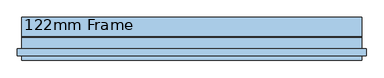
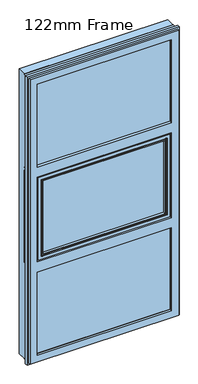
"""IFC4 building model written with IfcOpenShell, lengths in millimetres: window geometry, 122mm Frame."""

from ifc_helpers import new_model, si_unit, frame, origin, place, context, project, spatial, polyline, circle_curve, ellipse_curve, outline, extrude, source, transform, mapped, element, save
from ifc_brep_helpers import plane_surface, cylinder_surface, revolved_surface, advanced_brep


def window_122mm_frame_63e55e6c(model_context):
    return source(origin(), model_context, "Body", "SolidModel", [
        extrude(outline(polyline([(-452.6, -141.0), (-452.6, -93.0), (452.6, -93.0), (452.6, -141.0), (-452.6, -141.0)])), frame((0.0, 0.0, 847.4), z_axis=(0.0, 0.0, 1.0), x_axis=(1.0, 0.0, 0.0)), (0.0, 0.0, 1.0), 599.2666667),
        advanced_brep(
        [(-437.8697056, -91.0, 1432.9363723), (-437.8697056, -91.0, 862.1302944), (-440.9078547, -66.2562613, 859.0921453), (-440.9078547, -66.2562613, 1435.9745214), (-442.892947, -64.5, 857.107053), (-442.892947, -64.5, 1437.9596137), (437.8697056, -91.0, 862.1302944), (440.9078547, -66.2562613, 859.0921453), (-461.5, -91.0, 1456.5666667), (-461.5, -91.0, 838.5), (461.5, -91.0, 838.5), (461.5, -91.0, 1456.5666667), (437.8697056, -91.0, 1432.9363723), (-461.5, -82.0, 1456.5666667), (-461.5, -82.0, 838.5), (461.5, -82.0, 838.5), (-464.0, -82.0, 1459.0666667), (-464.0, -82.0, 836.0), (464.0, -82.0, 836.0), (464.0, -82.0, 1459.0666667), (461.5, -82.0, 1456.5666667), (-464.0, -64.5, 1459.0666667), (-464.0, -64.5, 836.0), (464.0, -64.5, 836.0), (464.0, -64.5, 1459.0666667), (442.892947, -64.5, 857.107053), (442.892947, -64.5, 1437.9596137), (440.9078547, -66.2562613, 1435.9745214)],
        [
            (0, 1),
            (1, 2),
            (2, 3),
            (3, 0),
            (2, 4, ellipse_curve(frame((-442.892947, -66.5, 857.107053), z_axis=(-0.7071067811865475, 0.0, 0.7071067811865475), x_axis=(0.7071067811865474, 0.0, 0.7071067811865476)), 2.8284271, 2.0)),
            (4, 5),
            (5, 3, ellipse_curve(frame((-442.892947, -66.5, 1437.9596137), z_axis=(-0.7071067811865475, 0.0, -0.7071067811865475), x_axis=(-0.7071067811865474, 0.0, 0.7071067811865476)), 2.8284271, 2.0)),
            (1, 6),
            (6, 7),
            (7, 2),
            (8, 9),
            (9, 10),
            (10, 11),
            (11, 8),
            (0, 12),
            (12, 6),
            (13, 14),
            (14, 9),
            (8, 13),
            (14, 15),
            (15, 10),
            (16, 17),
            (17, 18),
            (18, 19),
            (19, 16),
            (13, 20),
            (20, 15),
            (21, 22),
            (22, 17),
            (16, 21),
            (22, 23),
            (23, 18),
            (21, 24),
            (24, 23),
            (4, 25),
            (25, 26),
            (26, 5),
            (7, 25, ellipse_curve(frame((442.892947, -66.5, 857.107053), z_axis=(-0.7071067811865475, 0.0, -0.7071067811865475), x_axis=(-0.7071067811865476, 0.0, 0.7071067811865474)), 2.8284271, 2.0)),
            (12, 27),
            (27, 7),
            (20, 11),
            (24, 19),
            (27, 26, ellipse_curve(frame((442.892947, -66.5, 1437.9596137), z_axis=(0.7071067811865475, 0.0, -0.7071067811865475), x_axis=(-0.7071067811865474, 0.0, -0.7071067811865476)), 2.8284271, 2.0)),
            (3, 27),
        ],
        [
            plane_surface(frame((-440.9078547, -66.2562613, 1435.9745214), z_axis=(0.9925461516413219, 0.12186934340514886, 0.0), x_axis=(0.0, 0.0, -1.0))),
            cylinder_surface(frame((-442.892947, -66.5, 1432.6666667), z_axis=(0.0, 0.0, 1.0), x_axis=(0.0, -1.0, 0.0)), 2.0),
            plane_surface(frame((-440.9078547, -66.2562613, 859.0921453), z_axis=(0.0, 0.12186934340514886, 0.9925461516413219), x_axis=(1.0, 0.0, 0.0))),
            plane_surface(frame((437.8697056, -91.0, 1432.9363723), z_axis=(0.0, -1.0, 0.0), x_axis=(-1.0, 0.0, 0.0))),
            plane_surface(frame((-461.5, -91.0, 1456.5666667), z_axis=(-1.0, 0.0, 0.0), x_axis=(0.0, 0.0, -1.0))),
            plane_surface(frame((-461.5, -91.0, 838.5), z_axis=(0.0, 0.0, -1.0), x_axis=(1.0, 0.0, 0.0))),
            plane_surface(frame((461.5, -82.0, 1456.5666667), z_axis=(0.0, -1.0, 0.0), x_axis=(-1.0, 0.0, 0.0))),
            plane_surface(frame((-464.0, -82.0, 1459.0666667), z_axis=(-1.0, 0.0, 0.0), x_axis=(0.0, 0.0, -1.0))),
            plane_surface(frame((-464.0, -82.0, 836.0), z_axis=(0.0, 0.0, -1.0), x_axis=(1.0, 0.0, 0.0))),
            plane_surface(frame((464.0, -64.5, 1459.0666667), z_axis=(0.0, 1.0, 0.0), x_axis=(-1.0, 0.0, 0.0))),
            cylinder_surface(frame((-437.6, -66.5, 857.107053), z_axis=(-1.0, 0.0, 0.0), x_axis=(0.0, -1.0, 0.0)), 2.0),
            plane_surface(frame((440.9078547, -66.2562613, 859.0921453), z_axis=(-0.9925461516413219, 0.12186934340514886, 0.0), x_axis=(0.0, 0.0, 1.0))),
            plane_surface(frame((461.5, -91.0, 838.5), z_axis=(1.0, 0.0, 0.0), x_axis=(0.0, 0.0, 1.0))),
            plane_surface(frame((464.0, -82.0, 836.0), z_axis=(1.0, 0.0, 0.0), x_axis=(0.0, 0.0, 1.0))),
            cylinder_surface(frame((442.892947, -66.5, 862.4), z_axis=(0.0, 0.0, -1.0), x_axis=(0.0, -1.0, 0.0)), 2.0),
            plane_surface(frame((440.9078547, -66.2562613, 1435.9745214), z_axis=(0.0, 0.12186934340514886, -0.9925461516413219), x_axis=(-1.0, 0.0, 0.0))),
            plane_surface(frame((461.5, -91.0, 1456.5666667), z_axis=(0.0, 0.0, 1.0), x_axis=(-1.0, 0.0, 0.0))),
            plane_surface(frame((464.0, -82.0, 1459.0666667), z_axis=(0.0, 0.0, 1.0), x_axis=(-1.0, 0.0, 0.0))),
            cylinder_surface(frame((437.6, -66.5, 1437.9596137), z_axis=(1.0, 0.0, 0.0), x_axis=(0.0, -1.0, 0.0)), 2.0),
        ],
        [
            (0, [[1, 2, 3, 4]]),
            (1, [[-3, 5, 6, 7]]),
            (2, [[8, 9, 10, -2]]),
            (3, [[11, 12, 13, 14], [-1, 15, 16, -8]]),
            (4, [[17, 18, -11, 19]]),
            (5, [[20, 21, -12, -18]]),
            (6, [[22, 23, 24, 25], [-17, 26, 27, -20]]),
            (7, [[28, 29, -22, 30]]),
            (8, [[31, 32, -23, -29]]),
            (9, [[-28, 33, 34, -31], [-6, 35, 36, 37]]),
            (10, [[-10, 38, -35, -5]]),
            (11, [[-16, 39, 40, -9]]),
            (12, [[-27, 41, -13, -21]]),
            (13, [[-34, 42, -24, -32]]),
            (14, [[-40, 43, -36, -38]]),
            (15, [[-15, -4, 44, -39]]),
            (16, [[-26, -19, -14, -41]]),
            (17, [[-33, -30, -25, -42]]),
            (18, [[-44, -7, -37, -43]]),
        ],
    ),
        advanced_brep(
        [(-488.0, -90.5, 2788.0), (-488.0, -90.5, 2141.3333333), (-488.0, -86.5, 2141.3333333), (-488.0, -86.5, 2788.0), (-488.0, -32.0, 2788.0), (-488.0, -32.0, 812.0), (-488.0, -86.5, 812.0), (-488.0, -86.5, 1458.6666667), (-488.0, -90.5, 1458.6666667), (-488.0, -90.5, 812.0), (-488.0, -154.0, 812.0), (-488.0, -154.0, 2788.0), (-488.0, -90.5, 1482.6666667), (-488.0, -86.5, 1482.6666667), (-488.0, -86.5, 2117.3333333), (-488.0, -90.5, 2117.3333333), (488.0, -154.0, 2788.0), (488.0, -154.0, 812.0), (-441.2576108, -154.0, 858.7423892), (-441.2576108, -154.0, 1435.9242774), (441.2576108, -154.0, 1435.9242774), (441.2576108, -154.0, 858.7423892), (441.2576108, -154.0, 2741.2576108), (441.2576108, -154.0, 2164.0757226), (-441.2576108, -154.0, 2164.0757226), (-441.2576108, -154.0, 2741.2576108), (441.2576108, -154.0, 1505.4090559), (-441.2576108, -154.0, 1505.4090559), (-441.2576108, -154.0, 2094.5909441), (441.2576108, -154.0, 2094.5909441), (488.0, -90.5, 812.0), (-481.0, -90.5, 1458.6666667), (-481.0, -90.5, 819.0), (481.0, -90.5, 819.0), (481.0, -90.5, 1458.6666667), (488.0, -90.5, 1458.6666667), (488.0, -90.5, 2788.0), (488.0, -90.5, 2141.3333333), (481.0, -90.5, 2141.3333333), (481.0, -90.5, 2781.0), (-481.0, -90.5, 2781.0), (-481.0, -90.5, 2141.3333333), (-481.0, -90.5, 2117.3333333), (-481.0, -90.5, 1482.6666667), (481.0, -90.5, 1482.6666667), (481.0, -90.5, 2117.3333333), (488.0, -90.5, 2117.3333333), (488.0, -90.5, 1482.6666667), (-481.0, -86.5, 819.0), (-481.0, -86.5, 1458.6666667), (488.0, -86.5, 812.0), (488.0, -86.5, 1458.6666667), (481.0, -86.5, 1458.6666667), (481.0, -86.5, 819.0), (481.0, -86.5, 2781.0), (481.0, -86.5, 2141.3333333), (488.0, -86.5, 2141.3333333), (488.0, -86.5, 2788.0), (-481.0, -86.5, 2141.3333333), (-481.0, -86.5, 2781.0), (488.0, -86.5, 1482.6666667), (488.0, -86.5, 2117.3333333), (481.0, -86.5, 2117.3333333), (481.0, -86.5, 1482.6666667), (-481.0, -86.5, 1482.6666667), (-481.0, -86.5, 2117.3333333), (488.0, -32.0, 812.0), (488.0, -32.0, 2788.0), (467.0, -32.0, 833.0), (467.0, -32.0, 1458.6666667), (-467.0, -32.0, 1458.6666667), (-467.0, -32.0, 833.0), (-467.0, -32.0, 2767.0), (-467.0, -32.0, 2141.3333333), (467.0, -32.0, 2141.3333333), (467.0, -32.0, 2767.0), (-467.0, -32.0, 1482.6666667), (467.0, -32.0, 1482.6666667), (467.0, -32.0, 2117.3333333), (-467.0, -32.0, 2117.3333333), (-438.0131086, -143.3877115, 861.9868914), (438.0131086, -143.3877115, 861.9868914), (438.0131086, -142.0, 861.9868914), (-438.0131086, -142.0, 861.9868914), (-462.2226568, -142.0, 837.7773432), (-462.2226568, -142.0, 1456.7286793), (462.2226568, -142.0, 1456.7286793), (462.2226568, -142.0, 837.7773432), (438.0131086, -142.0, 1432.2555093), (-438.0131086, -142.0, 1432.2555093), (462.2226568, -142.0, 2762.2226568), (462.2226568, -142.0, 2143.2713207), (-462.2226568, -142.0, 2143.2713207), (-462.2226568, -142.0, 2762.2226568), (-438.0131086, -142.0, 2738.0131086), (-438.0131086, -142.0, 2167.7444907), (438.0131086, -142.0, 2167.7444907), (438.0131086, -142.0, 2738.0131086), (-462.2226568, -142.0, 1484.6046541), (-462.2226568, -142.0, 2115.3953459), (462.2226568, -142.0, 2115.3953459), (462.2226568, -142.0, 1484.6046541), (438.0131086, -142.0, 1509.0778241), (438.0131086, -142.0, 2090.9221759), (-438.0131086, -142.0, 2090.9221759), (-438.0131086, -142.0, 1509.0778241), (-438.0131086, -143.3877115, 1432.6797752), (-438.0131086, -143.3877115, 2738.0131086), (-438.0131086, -143.3877115, 2167.3202248), (-438.0131086, -143.3877115, 2091.3464419), (-438.0131086, -143.3877115, 1508.6535581), (438.0131086, -143.3877115, 1432.6797752), (438.0131086, -143.3877115, 2167.3202248), (438.0131086, -143.3877115, 2738.0131086), (438.0131086, -143.3877115, 1508.6535581), (438.0131086, -143.3877115, 2091.3464419), (455.7805994, -91.0, 844.2194006), (-455.7805994, -91.0, 844.2194006), (455.7805994, -91.0, 1450.4666667), (455.7805994, -91.0, 2755.7805994), (455.7805994, -91.0, 2149.5333333), (455.7805994, -91.0, 2109.1333333), (455.7805994, -91.0, 1490.8666667), (-455.7805994, -91.0, 1450.4666667), (-455.7805994, -91.0, 1490.8666667), (-455.7805994, -91.0, 2109.1333333), (-455.7805994, -91.0, 2149.5333333), (-455.7805994, -91.0, 2755.7805994), (-462.0, -91.0, 838.0), (-462.0, -91.0, 1458.6666667), (462.0, -91.0, 1458.6666667), (462.0, -91.0, 838.0), (462.0, -91.0, 2762.0), (462.0, -91.0, 2141.3333333), (-462.0, -91.0, 2141.3333333), (-462.0, -91.0, 2762.0), (-462.0, -91.0, 1482.6666667), (-462.0, -91.0, 2117.3333333), (462.0, -91.0, 2117.3333333), (462.0, -91.0, 1482.6666667), (462.0, -83.0, 838.0), (-462.0, -83.0, 838.0), (462.0, -83.0, 1458.6666667), (462.0, -83.0, 2762.0), (462.0, -83.0, 2141.3333333), (462.0, -83.0, 2117.3333333), (462.0, -83.0, 1482.6666667), (-462.0, -83.0, 1458.6666667), (-462.0, -83.0, 1482.6666667), (-462.0, -83.0, 2117.3333333), (-462.0, -83.0, 2141.3333333), (-462.0, -83.0, 2762.0), (464.0, -35.0, 836.0), (-464.0, -35.0, 836.0), (-464.0, -35.0, 1458.6666667), (-464.0, -35.0, 2764.0), (-464.0, -35.0, 2141.3333333), (-464.0, -35.0, 2117.3333333), (-464.0, -35.0, 1482.6666667), (464.0, -35.0, 1458.6666667), (464.0, -35.0, 2141.3333333), (464.0, -35.0, 2764.0), (464.0, -35.0, 1482.6666667), (464.0, -35.0, 2117.3333333), (-464.0, -83.0, 1458.6666667), (-464.0, -83.0, 836.0), (-464.0, -83.0, 2764.0), (-464.0, -83.0, 2141.3333333), (-464.0, -83.0, 2117.3333333), (-464.0, -83.0, 1482.6666667), (464.0, -83.0, 836.0), (464.0, -83.0, 1458.6666667), (464.0, -83.0, 2764.0), (464.0, -83.0, 2141.3333333), (464.0, -83.0, 2117.3333333), (464.0, -83.0, 1482.6666667)],
        [
            (0, 1),
            (1, 2),
            (2, 3),
            (3, 4),
            (4, 5),
            (5, 6),
            (6, 7),
            (7, 8),
            (8, 9),
            (9, 10),
            (10, 11),
            (11, 0),
            (12, 13),
            (13, 14),
            (14, 15),
            (15, 12),
            (16, 11),
            (10, 17),
            (17, 16),
            (18, 19),
            (19, 20),
            (20, 21),
            (21, 18),
            (22, 23),
            (23, 24),
            (24, 25),
            (25, 22),
            (26, 27),
            (27, 28),
            (28, 29),
            (29, 26),
            (9, 30),
            (30, 17),
            (8, 31),
            (31, 32),
            (32, 33),
            (33, 34),
            (34, 35),
            (35, 30),
            (36, 37),
            (37, 38),
            (38, 39),
            (39, 40),
            (40, 41),
            (41, 1),
            (0, 36),
            (15, 42),
            (42, 43),
            (43, 12),
            (44, 45),
            (45, 46),
            (46, 47),
            (47, 44),
            (48, 49),
            (49, 7),
            (6, 50),
            (50, 51),
            (51, 52),
            (52, 53),
            (53, 48),
            (54, 55),
            (55, 56),
            (56, 57),
            (57, 3),
            (2, 58),
            (58, 59),
            (59, 54),
            (60, 61),
            (61, 62),
            (62, 63),
            (63, 60),
            (64, 65),
            (65, 14),
            (13, 64),
            (66, 50),
            (5, 66),
            (4, 67),
            (67, 66),
            (68, 69),
            (69, 70),
            (70, 71),
            (71, 68),
            (72, 73),
            (73, 74),
            (74, 75),
            (75, 72),
            (76, 77),
            (77, 78),
            (78, 79),
            (79, 76),
            (35, 51),
            (67, 57),
            (56, 37),
            (36, 16),
            (60, 47),
            (46, 61),
            (80, 81),
            (81, 82),
            (82, 83),
            (83, 80),
            (84, 85),
            (85, 86),
            (86, 87),
            (87, 84),
            (82, 88),
            (88, 89),
            (89, 83),
            (90, 91),
            (91, 92),
            (92, 93),
            (93, 90),
            (94, 95),
            (95, 96),
            (96, 97),
            (97, 94),
            (98, 99),
            (99, 100),
            (100, 101),
            (101, 98),
            (102, 103),
            (103, 104),
            (104, 105),
            (105, 102),
            (89, 106),
            (106, 80),
            (107, 108),
            (108, 95),
            (94, 107),
            (104, 109),
            (109, 110),
            (110, 105),
            (81, 111),
            (111, 88),
            (96, 112),
            (112, 113),
            (113, 97),
            (114, 115),
            (115, 103),
            (102, 114),
            (87, 116),
            (116, 117),
            (117, 84),
            (86, 118),
            (118, 116),
            (119, 120),
            (120, 91),
            (90, 119),
            (100, 121),
            (121, 122),
            (122, 101),
            (117, 123),
            (123, 85),
            (124, 125),
            (125, 99),
            (98, 124),
            (92, 126),
            (126, 127),
            (127, 93),
            (128, 129),
            (129, 130),
            (130, 131),
            (131, 128),
            (118, 123),
            (132, 133),
            (133, 134),
            (134, 135),
            (135, 132),
            (119, 127),
            (126, 120),
            (136, 137),
            (137, 138),
            (138, 139),
            (139, 136),
            (121, 125),
            (124, 122),
            (131, 140),
            (140, 141),
            (141, 128),
            (130, 142),
            (142, 140),
            (143, 144),
            (144, 133),
            (132, 143),
            (138, 145),
            (145, 146),
            (146, 139),
            (141, 147),
            (147, 129),
            (148, 149),
            (149, 137),
            (136, 148),
            (134, 150),
            (150, 151),
            (151, 135),
            (152, 68, ellipse_curve(frame((467.0, -35.0, 833.0), z_axis=(-0.7071067811865475, 0.0, -0.7071067811865475), x_axis=(-0.7071067811865476, 0.0, 0.7071067811865474)), 4.2426407, 3.0)),
            (71, 153, ellipse_curve(frame((-467.0, -35.0, 833.0), z_axis=(0.7071067811865475, 0.0, -0.7071067811865475), x_axis=(-0.7071067811865476, 0.0, -0.7071067811865474)), 4.2426407, 3.0)),
            (153, 152),
            (70, 154, circle_curve(frame((-467.0, -35.0, 1458.6666667), z_axis=(0.0, 0.0, -1.0), x_axis=(0.0, -1.0, 0.0)), 3.0)),
            (154, 153),
            (155, 156),
            (156, 73, circle_curve(frame((-467.0, -35.0, 2141.3333333), z_axis=(0.0, 0.0, 1.0), x_axis=(0.0, -1.0, 0.0)), 3.0)),
            (72, 155, ellipse_curve(frame((-467.0, -35.0, 2767.0), z_axis=(-0.7071067811865475, 0.0, -0.7071067811865475), x_axis=(-0.7071067811865474, 0.0, 0.7071067811865476)), 4.2426407, 3.0)),
            (79, 157, circle_curve(frame((-467.0, -35.0, 2117.3333333), z_axis=(0.0, 0.0, -1.0), x_axis=(0.0, -1.0, 0.0)), 3.0)),
            (157, 158),
            (158, 76, circle_curve(frame((-467.0, -35.0, 1482.6666667), z_axis=(0.0, 0.0, 1.0), x_axis=(0.0, -1.0, 0.0)), 3.0)),
            (152, 159),
            (159, 69, circle_curve(frame((467.0, -35.0, 1458.6666667), z_axis=(0.0, 0.0, -1.0), x_axis=(0.0, -1.0, 0.0)), 3.0)),
            (74, 160, circle_curve(frame((467.0, -35.0, 2141.3333333), z_axis=(0.0, 0.0, 1.0), x_axis=(0.0, -1.0, 0.0)), 3.0)),
            (160, 161),
            (161, 75, ellipse_curve(frame((467.0, -35.0, 2767.0), z_axis=(0.7071067811865475, 0.0, -0.7071067811865475), x_axis=(-0.7071067811865474, 0.0, -0.7071067811865476)), 4.2426407, 3.0)),
            (162, 163),
            (163, 78, circle_curve(frame((467.0, -35.0, 2117.3333333), z_axis=(0.0, 0.0, -1.0), x_axis=(0.0, -1.0, 0.0)), 3.0)),
            (77, 162, circle_curve(frame((467.0, -35.0, 1482.6666667), z_axis=(0.0, 0.0, 1.0), x_axis=(0.0, -1.0, 0.0)), 3.0)),
            (21, 81),
            (80, 18),
            (20, 111),
            (112, 23),
            (22, 113),
            (29, 115),
            (114, 26),
            (106, 19),
            (24, 108),
            (107, 25),
            (109, 28),
            (27, 110),
            (154, 164),
            (164, 165),
            (165, 153),
            (166, 167),
            (167, 156),
            (155, 166),
            (157, 168),
            (168, 169),
            (169, 158),
            (165, 170),
            (170, 152),
            (164, 147),
            (142, 171),
            (171, 170),
            (172, 173),
            (173, 144),
            (143, 151),
            (150, 167),
            (166, 172),
            (168, 149),
            (148, 169),
            (145, 174),
            (174, 175),
            (175, 146),
            (171, 159),
            (160, 173),
            (172, 161),
            (174, 163),
            (162, 175),
            (31, 49),
            (48, 32),
            (58, 41),
            (40, 59),
            (42, 65),
            (64, 43),
            (53, 33),
            (52, 34),
            (38, 55),
            (54, 39),
            (62, 45),
            (44, 63),
            (113, 107),
            (161, 155),
        ],
        [
            plane_surface(frame((-488.0, -154.0, 1435.9242774), z_axis=(-1.0, 0.0, 0.0), x_axis=(0.0, 0.956304755963276, -0.2923717047219502))),
            plane_surface(frame((-488.0, -154.0, 1505.4090559), z_axis=(0.0, -1.0, 0.0), x_axis=(1.0, 0.0, 0.0))),
            plane_surface(frame((-488.0, -154.0, 812.0), z_axis=(0.0, 0.0, -1.0), x_axis=(1.0, 0.0, 0.0))),
            plane_surface(frame((488.0, -90.5, 2788.0), z_axis=(0.0, 1.0, 0.0), x_axis=(-1.0, 0.0, 0.0))),
            plane_surface(frame((481.0, -86.5, 2781.0), z_axis=(0.0, -1.0, 0.0), x_axis=(-1.0, 0.0, 0.0))),
            plane_surface(frame((-488.0, -86.5, 812.0), z_axis=(0.0, 0.0, -1.0), x_axis=(1.0, 0.0, 0.0))),
            plane_surface(frame((-488.0, -32.0, 1458.6666667), z_axis=(0.0, 1.0, 0.0), x_axis=(1.0, 0.0, 0.0))),
            plane_surface(frame((488.0, -154.0, 1435.9242774), z_axis=(1.0, 0.0, 0.0), x_axis=(0.0, -0.956304755963276, 0.2923717047219502))),
            plane_surface(frame((-438.0131086, -142.0, 861.9868914), z_axis=(0.0, 0.0, 1.0), x_axis=(1.0, 0.0, 0.0))),
            plane_surface(frame((-488.0, -142.0, 1432.2555093), z_axis=(0.0, 1.0, 0.0), x_axis=(1.0, 0.0, 0.0))),
            plane_surface(frame((-438.0131086, -142.0, 2738.0131086), z_axis=(1.0, 0.0, 0.0), x_axis=(0.0, 0.0, -1.0))),
            plane_surface(frame((438.0131086, -142.0, 861.9868914), z_axis=(-1.0, 0.0, 0.0), x_axis=(0.0, 0.0, 1.0))),
            plane_surface(frame((-455.7805994, -91.0, 844.2194006), z_axis=(0.0, -0.1253190461918616, 0.992116493493361), x_axis=(1.0, 0.0, 0.0))),
            plane_surface(frame((455.7805994, -91.0, 844.2194006), z_axis=(-0.992116493493361, -0.1253190461918616, 0.0), x_axis=(0.0, 0.0, 1.0))),
            plane_surface(frame((-455.7805994, -91.0, 2755.7805994), z_axis=(0.992116493493361, -0.1253190461918616, 0.0), x_axis=(0.0, 0.0, -1.0))),
            plane_surface(frame((-488.0, -91.0, 1450.4666667), z_axis=(0.0, 1.0, 0.0), x_axis=(1.0, 0.0, 0.0))),
            plane_surface(frame((-462.0, -83.0, 838.0), z_axis=(0.0, 0.0, 1.0), x_axis=(1.0, 0.0, 0.0))),
            plane_surface(frame((462.0, -83.0, 838.0), z_axis=(-1.0, 0.0, 0.0), x_axis=(0.0, 0.0, 1.0))),
            plane_surface(frame((-462.0, -83.0, 2762.0), z_axis=(1.0, 0.0, 0.0), x_axis=(0.0, 0.0, -1.0))),
            cylinder_surface(frame((-488.0, -35.0, 833.0), z_axis=(-1.0, 0.0, 0.0), x_axis=(0.0, -1.0, 0.0)), 3.0),
            cylinder_surface(frame((-467.0, -35.0, 2788.0), z_axis=(0.0, 0.0, 1.0), x_axis=(0.0, -1.0, 0.0)), 3.0),
            cylinder_surface(frame((467.0, -35.0, 812.0), z_axis=(0.0, 0.0, -1.0), x_axis=(0.0, -1.0, 0.0)), 3.0),
            plane_surface(frame((-438.0131086, -143.3877115, 861.9868914), z_axis=(0.0, -0.29237170472308205, 0.95630475596293), x_axis=(1.0, 0.0, 0.0))),
            plane_surface(frame((438.0131086, -143.3877115, 861.9868914), z_axis=(-0.95630475596293, -0.29237170472308205, 0.0), x_axis=(0.0, 0.0, 1.0))),
            plane_surface(frame((-438.0131086, -143.3877115, 2738.0131086), z_axis=(0.95630475596293, -0.29237170472308205, 0.0), x_axis=(0.0, 0.0, -1.0))),
            plane_surface(frame((-464.0, -35.0, 2764.0), z_axis=(1.0, 0.0, 0.0), x_axis=(0.0, 0.0, -1.0))),
            plane_surface(frame((-464.0, -35.0, 836.0), z_axis=(0.0, 0.0, 1.0), x_axis=(1.0, 0.0, 0.0))),
            plane_surface(frame((464.0, -83.0, 2764.0), z_axis=(0.0, 1.0, 0.0), x_axis=(-1.0, 0.0, 0.0))),
            plane_surface(frame((464.0, -35.0, 836.0), z_axis=(-1.0, 0.0, 0.0), x_axis=(0.0, 0.0, 1.0))),
            plane_surface(frame((-481.0, -90.5, 2781.0), z_axis=(-1.0, 0.0, 0.0), x_axis=(0.0, 0.0, -1.0))),
            plane_surface(frame((-481.0, -90.5, 819.0), z_axis=(0.0, 0.0, -1.0), x_axis=(1.0, 0.0, 0.0))),
            plane_surface(frame((481.0, -90.5, 819.0), z_axis=(1.0, 0.0, 0.0), x_axis=(0.0, 0.0, 1.0))),
            plane_surface(frame((488.0, -154.0, 2788.0), z_axis=(0.0, 0.0, 1.0), x_axis=(-1.0, 0.0, 0.0))),
            plane_surface(frame((488.0, -86.5, 2788.0), z_axis=(0.0, 0.0, 1.0), x_axis=(-1.0, 0.0, 0.0))),
            plane_surface(frame((438.0131086, -142.0, 2738.0131086), z_axis=(0.0, 0.0, -1.0), x_axis=(-1.0, 0.0, 0.0))),
            plane_surface(frame((455.7805994, -91.0, 2755.7805994), z_axis=(0.0, -0.1253190461918616, -0.992116493493361), x_axis=(-1.0, 0.0, 0.0))),
            plane_surface(frame((462.0, -83.0, 2762.0), z_axis=(0.0, 0.0, -1.0), x_axis=(-1.0, 0.0, 0.0))),
            cylinder_surface(frame((488.0, -35.0, 2767.0), z_axis=(1.0, 0.0, 0.0), x_axis=(0.0, -1.0, 0.0)), 3.0),
            plane_surface(frame((438.0131086, -143.3877115, 2738.0131086), z_axis=(0.0, -0.29237170472308205, -0.95630475596293), x_axis=(-1.0, 0.0, 0.0))),
            plane_surface(frame((464.0, -35.0, 2764.0), z_axis=(0.0, 0.0, -1.0), x_axis=(-1.0, 0.0, 0.0))),
            plane_surface(frame((481.0, -90.5, 2781.0), z_axis=(0.0, 0.0, 1.0), x_axis=(-1.0, 0.0, 0.0))),
            plane_surface(frame((-488.0, -154.0, 1435.9242774), z_axis=(0.0, -0.2923717047219502, -0.956304755963276), x_axis=(1.0, 0.0, 0.0))),
            plane_surface(frame((-488.0, -142.0, 1456.7286793), z_axis=(0.0, -0.12186934340530745, -0.9925461516413024), x_axis=(1.0, 0.0, 0.0))),
            plane_surface(frame((-488.0, -91.0, 1458.6666667), z_axis=(0.0, 0.0, -1.0), x_axis=(1.0, 0.0, 0.0))),
            plane_surface(frame((-488.0, -32.0, 1482.6666667), z_axis=(0.0, 0.0, 1.0), x_axis=(1.0, 0.0, 0.0))),
            plane_surface(frame((-488.0, -91.0, 1490.8666667), z_axis=(0.0, -0.12186934340536838, 0.992546151641295), x_axis=(1.0, 0.0, 0.0))),
            plane_surface(frame((-488.0, -142.0, 1509.0778241), z_axis=(0.0, -0.29237170472196145, 0.9563047559632726), x_axis=(1.0, 0.0, 0.0))),
            plane_surface(frame((-488.0, -154.0, 2094.5909441), z_axis=(0.0, -0.29237170471972357, -0.9563047559639568), x_axis=(1.0, 0.0, 0.0))),
            plane_surface(frame((-488.0, -142.0, 2115.3953459), z_axis=(0.0, -0.12186934340533068, -0.9925461516412996), x_axis=(1.0, 0.0, 0.0))),
            plane_surface(frame((-488.0, -91.0, 2117.3333333), z_axis=(0.0, 0.0, -1.0), x_axis=(1.0, 0.0, 0.0))),
            plane_surface(frame((-488.0, -32.0, 2141.3333333), z_axis=(0.0, 0.0, 1.0), x_axis=(1.0, 0.0, 0.0))),
            plane_surface(frame((-488.0, -91.0, 2149.5333333), z_axis=(0.0, -0.12186934340548272, 0.9925461516412809), x_axis=(1.0, 0.0, 0.0))),
            plane_surface(frame((-488.0, -142.0, 2167.7444907), z_axis=(0.0, -0.29237170471975826, 0.9563047559639462), x_axis=(1.0, 0.0, 0.0))),
        ],
        [
            (0, [[1, 2, 3, 4, 5, 6, 7, 8, 9, 10, 11, 12], [13, 14, 15, 16]]),
            (1, [[17, -11, 18, 19], [20, 21, 22, 23], [24, 25, 26, 27], [28, 29, 30, 31]]),
            (2, [[32, 33, -18, -10]]),
            (3, [[-9, 34, 35, 36, 37, 38, 39, -32]]),
            (3, [[40, 41, 42, 43, 44, 45, -1, 46]]),
            (3, [[-16, 47, 48, 49]]),
            (3, [[50, 51, 52, 53]]),
            (4, [[54, 55, -7, 56, 57, 58, 59, 60]]),
            (4, [[61, 62, 63, 64, -3, 65, 66, 67]]),
            (4, [[68, 69, 70, 71]]),
            (4, [[72, 73, -14, 74]]),
            (5, [[75, -56, -6, 76]]),
            (6, [[77, 78, -76, -5], [79, 80, 81, 82], [83, 84, 85, 86], [87, 88, 89, 90]]),
            (7, [[-39, 91, -57, -75, -78, 92, -63, 93, -40, 94, -19, -33], [95, -52, 96, -68]]),
            (8, [[97, 98, 99, 100]]),
            (9, [[101, 102, 103, 104], [105, 106, 107, -99]]),
            (9, [[108, 109, 110, 111], [112, 113, 114, 115]]),
            (9, [[116, 117, 118, 119], [120, 121, 122, 123]]),
            (10, [[-107, 124, 125, -100]]),
            (10, [[126, 127, -112, 128]]),
            (10, [[-122, 129, 130, 131]]),
            (11, [[132, 133, -105, -98]]),
            (11, [[-114, 134, 135, 136]]),
            (11, [[137, 138, -120, 139]]),
            (12, [[140, 141, 142, -104]]),
            (13, [[-103, 143, 144, -140]]),
            (13, [[145, 146, -108, 147]]),
            (13, [[148, 149, 150, -118]]),
            (14, [[151, 152, -101, -142]]),
            (14, [[153, 154, -116, 155]]),
            (14, [[156, 157, 158, -110]]),
            (15, [[159, 160, 161, 162], [-144, 163, -151, -141]]),
            (15, [[164, 165, 166, 167], [168, -157, 169, -145]]),
            (15, [[170, 171, 172, 173], [-149, 174, -153, 175]]),
            (16, [[-162, 176, 177, 178]]),
            (17, [[-161, 179, 180, -176]]),
            (17, [[181, 182, -164, 183]]),
            (17, [[184, 185, 186, -172]]),
            (18, [[187, 188, -159, -178]]),
            (18, [[189, 190, -170, 191]]),
            (18, [[192, 193, 194, -166]]),
            (19, [[195, -82, 196, 197]]),
            (20, [[-81, 198, 199, -196]]),
            (20, [[200, 201, -83, 202]]),
            (20, [[-90, 203, 204, 205]]),
            (21, [[206, 207, -79, -195]]),
            (21, [[-85, 208, 209, 210]]),
            (21, [[211, 212, -88, 213]]),
            (22, [[-23, 214, -97, 215]]),
            (23, [[-22, 216, -132, -214]]),
            (23, [[-135, 217, -24, 218]]),
            (23, [[-31, 219, -137, 220]]),
            (24, [[-125, 221, -20, -215]]),
            (24, [[-26, 222, -126, 223]]),
            (24, [[-130, 224, -29, 225]]),
            (25, [[-199, 226, 227, 228]]),
            (25, [[229, 230, -200, 231]]),
            (25, [[-204, 232, 233, 234]]),
            (26, [[235, 236, -197, -228]]),
            (27, [[-227, 237, -187, -177, -180, 238, 239, -235]]),
            (27, [[240, 241, -181, 242, -193, 243, -229, 244]]),
            (27, [[-233, 245, -189, 246]]),
            (27, [[-185, 247, 248, 249]]),
            (28, [[-239, 250, -206, -236]]),
            (28, [[-209, 251, -240, 252]]),
            (28, [[-248, 253, -211, 254]]),
            (29, [[-35, 255, -54, 256]]),
            (29, [[-66, 257, -44, 258]]),
            (29, [[-48, 259, -72, 260]]),
            (30, [[-60, 261, -36, -256]]),
            (31, [[-59, 262, -37, -261]]),
            (31, [[-42, 263, -61, 264]]),
            (31, [[-70, 265, -50, 266]]),
            (32, [[-17, -94, -46, -12]]),
            (33, [[-4, -64, -92, -77]]),
            (34, [[-115, -136, 267, -128]]),
            (35, [[-158, -168, -147, -111]]),
            (36, [[-242, -183, -167, -194]]),
            (37, [[-202, -86, -210, 268]]),
            (38, [[-267, -218, -27, -223]]),
            (39, [[-268, -252, -244, -231]]),
            (40, [[-43, -264, -67, -258]]),
            (41, [[-221, -124, -106, -133, -216, -21]]),
            (42, [[-143, -102, -152, -163]]),
            (43, [[-55, -255, -34, -8]]),
            (43, [[-38, -262, -58, -91]]),
            (43, [[-207, -250, -238, -179, -160, -188, -237, -226, -198, -80]]),
            (44, [[-49, -260, -74, -13]]),
            (44, [[-71, -266, -53, -95]]),
            (44, [[-205, -234, -246, -191, -173, -186, -249, -254, -213, -87]]),
            (45, [[-155, -119, -150, -175]]),
            (46, [[-131, -225, -28, -220, -139, -123]]),
            (47, [[-224, -129, -121, -138, -219, -30]]),
            (48, [[-154, -174, -148, -117]]),
            (49, [[-51, -265, -69, -96]]),
            (49, [[-73, -259, -47, -15]]),
            (49, [[-212, -253, -247, -184, -171, -190, -245, -232, -203, -89]]),
            (50, [[-45, -257, -65, -2]]),
            (50, [[-62, -263, -41, -93]]),
            (50, [[-201, -230, -243, -192, -165, -182, -241, -251, -208, -84]]),
            (51, [[-146, -169, -156, -109]]),
            (52, [[-217, -134, -113, -127, -222, -25]]),
        ],
    ),
        extrude(outline(polyline([(2800.0, -500.0), (800.0, -500.0), (800.0, 500.0), (2800.0, 500.0), (2800.0, -500.0)]), holes=[polyline([(2788.0, 488.0), (812.0, 488.0), (812.0, -488.0), (2788.0, -488.0), (2788.0, 488.0)])]), frame((0.0, -141.0, 0.0), z_axis=(0.0, 1.0, 0.0), x_axis=(0.0, 0.0, 1.0)), (0.0, 0.0, 1.0), 20.0),
        extrude(outline(polyline([(-452.6, -141.0), (-452.6, -93.0), (452.6, -93.0), (452.6, -141.0), (-452.6, -141.0)])), frame((0.0, 0.0, 1494.6666667), z_axis=(0.0, 0.0, 1.0), x_axis=(1.0, 0.0, 0.0)), (0.0, 0.0, 1.0), 610.6666667),
        advanced_brep(
        [(-431.9998467, -148.4070391, 2085.73318), (-431.9998467, -148.4070391, 1514.26682), (-431.9998467, -153.0, 1514.26682), (-431.9998467, -153.0, 2085.73318), (-437.2739389, -139.5531262, 2091.0072722), (-437.2739389, -139.5531262, 1508.9927278), (-439.1133955, -121.0, 2092.8467289), (-439.1133955, -121.0, 1507.1532711), (-439.1133955, -139.5531262, 1507.1532711), (-439.1133955, -139.5531262, 2092.8467289), (-449.1133955, -88.5, 2102.8467289), (-449.1133955, -88.5, 1497.1532711), (-449.1133955, -121.0, 1497.1532711), (-449.1133955, -121.0, 2102.8467289), (-459.8977, -83.5, 2113.6310333), (-459.8977, -83.5, 1486.3689667), (-459.8977, -88.5, 1486.3689667), (-459.8977, -88.5, 2113.6310333), (-453.1, -78.0, 2106.8333333), (-453.1, -78.0, 1493.1666667), (-453.1, -83.5, 1493.1666667), (-453.1, -83.5, 2106.8333333), (-395.6003067, -88.8934531, 2049.33364), (-395.6003067, -88.8934531, 1550.66636), (-397.9157816, -78.0, 1548.3508851), (-397.9157816, -78.0, 2051.6491149), (-395.6003067, -93.0, 2049.33364), (-395.6003067, -93.0, 1550.66636), (-409.6, -141.0, 2063.3333333), (-409.6, -141.0, 1536.6666667), (-409.6, -93.0, 1536.6666667), (-409.6, -93.0, 2063.3333333), (-398.8566168, -153.0, 2052.5899501), (-398.8566168, -153.0, 1547.4100499), (-395.1878486, -141.0, 1551.0788181), (-395.1878486, -141.0, 2048.9211819), (-406.9339425, -152.25, 2060.6672758), (-406.9339425, -152.25, 1539.3327242), (-405.6349044, -153.0, 1540.6317623), (-405.6349044, -153.0, 2059.3682377), (-411.2640695, -152.25, 2064.9974028), (-411.2640695, -152.25, 1535.0025972), (-412.5631076, -153.0, 2066.2964409), (-412.5631076, -153.0, 1533.7035591), (431.9998467, -148.4070391, 1514.26682), (431.9998467, -153.0, 1514.26682), (437.2739389, -139.5531262, 1508.9927278), (439.1133955, -121.0, 1507.1532711), (439.1133955, -139.5531262, 1507.1532711), (449.1133955, -88.5, 1497.1532711), (449.1133955, -121.0, 1497.1532711), (459.8976999, -83.5, 1486.3689667), (459.8976999, -88.5, 1486.3689667), (453.1, -78.0, 1493.1666667), (453.1, -83.5, 1493.1666667), (395.6003067, -88.8934531, 1550.66636), (397.9157816, -78.0, 1548.3508851), (395.6003067, -93.0, 1550.66636), (409.6, -141.0, 1536.6666667), (409.6, -93.0, 1536.6666667), (398.8566168, -153.0, 1547.4100499), (395.1878486, -141.0, 1551.0788181), (406.9339425, -152.25, 1539.3327242), (405.6349044, -153.0, 1540.6317623), (411.2640695, -152.25, 1535.0025972), (412.5631076, -153.0, 1533.7035591), (431.9998467, -148.4070391, 2085.73318), (431.9998467, -153.0, 2085.73318), (437.2739389, -139.5531262, 2091.0072722), (439.1133955, -121.0, 2092.8467289), (439.1133955, -139.5531262, 2092.8467289), (449.1133955, -88.5, 2102.8467289), (449.1133955, -121.0, 2102.8467289), (459.8976999, -83.5, 2113.6310333), (459.8976999, -88.5, 2113.6310333), (453.1, -78.0, 2106.8333333), (453.1, -83.5, 2106.8333333), (395.6003067, -88.8934531, 2049.33364), (397.9157816, -78.0, 2051.6491149), (395.6003067, -93.0, 2049.33364), (409.6, -141.0, 2063.3333333), (409.6, -93.0, 2063.3333333), (398.8566168, -153.0, 2052.5899501), (395.1878486, -141.0, 2048.9211819), (406.9339425, -152.25, 2060.6672758), (405.6349044, -153.0, 2059.3682377), (411.2640695, -152.25, 2064.9974028), (412.5631076, -153.0, 2066.2964409)],
        [
            (0, 1),
            (1, 2),
            (2, 3),
            (3, 0),
            (4, 5),
            (5, 1),
            (0, 4),
            (6, 7),
            (7, 8),
            (8, 9),
            (9, 6),
            (10, 11),
            (11, 12),
            (12, 13),
            (13, 10),
            (14, 15),
            (15, 16),
            (16, 17),
            (17, 14),
            (18, 19),
            (19, 20),
            (20, 21),
            (21, 18),
            (22, 23),
            (23, 24),
            (24, 25),
            (25, 22),
            (26, 27),
            (27, 23),
            (22, 26),
            (28, 29),
            (29, 30),
            (30, 31),
            (31, 28),
            (32, 33),
            (33, 34),
            (34, 35),
            (35, 32),
            (36, 37),
            (37, 38, ellipse_curve(frame((-405.6349044, -151.5, 1540.6317623), z_axis=(-0.7071067811865475, 0.0, 0.7071067811865475), x_axis=(0.7071067811865474, 0.0, 0.7071067811865476)), 2.1213203, 1.5)),
            (38, 39),
            (39, 36, ellipse_curve(frame((-405.6349044, -151.5, 2059.3682377), z_axis=(-0.7071067811865475, 0.0, -0.7071067811865475), x_axis=(-0.7071067811865474, 0.0, 0.7071067811865476)), 2.1213203, 1.5)),
            (40, 41),
            (41, 37, ellipse_curve(frame((-409.099006, -153.5, 1537.1676607), z_axis=(0.7071067811865475, 0.0, -0.7071067811865475), x_axis=(-0.7071067811865474, 0.0, -0.7071067811865476)), 3.5355339, 2.5)),
            (36, 40, ellipse_curve(frame((-409.099006, -153.5, 2062.8323393), z_axis=(0.7071067811865475, 0.0, 0.7071067811865475), x_axis=(0.7071067811865474, 0.0, -0.7071067811865476)), 3.5355339, 2.5)),
            (42, 43),
            (43, 41, ellipse_curve(frame((-412.5631076, -151.5, 1533.7035591), z_axis=(-0.7071067811865475, 0.0, 0.7071067811865475), x_axis=(0.7071067811865474, 0.0, 0.7071067811865476)), 2.1213203, 1.5)),
            (40, 42, ellipse_curve(frame((-412.5631076, -151.5, 2066.2964409), z_axis=(-0.7071067811865475, 0.0, -0.7071067811865475), x_axis=(-0.7071067811865474, 0.0, 0.7071067811865476)), 2.1213203, 1.5)),
            (1, 44),
            (44, 45),
            (45, 2),
            (5, 46),
            (46, 44),
            (7, 47),
            (47, 48),
            (48, 8),
            (11, 49),
            (49, 50),
            (50, 12),
            (15, 51),
            (51, 52),
            (52, 16),
            (19, 53),
            (53, 54),
            (54, 20),
            (23, 55),
            (55, 56),
            (56, 24),
            (27, 57),
            (57, 55),
            (29, 58),
            (58, 59),
            (59, 30),
            (33, 60),
            (60, 61),
            (61, 34),
            (37, 62),
            (62, 63, ellipse_curve(frame((405.6349044, -151.5, 1540.6317623), z_axis=(-0.7071067811865475, 0.0, -0.7071067811865475), x_axis=(-0.7071067811865476, 0.0, 0.7071067811865474)), 2.1213203, 1.5)),
            (63, 38),
            (41, 64),
            (64, 62, ellipse_curve(frame((409.099006, -153.5, 1537.1676607), z_axis=(0.7071067811865475, 0.0, 0.7071067811865475), x_axis=(0.7071067811865476, 0.0, -0.7071067811865474)), 3.5355339, 2.5)),
            (43, 65),
            (65, 64, ellipse_curve(frame((412.5631076, -151.5, 1533.7035591), z_axis=(-0.7071067811865475, 0.0, -0.7071067811865475), x_axis=(-0.7071067811865476, 0.0, 0.7071067811865474)), 2.1213203, 1.5)),
            (44, 66),
            (66, 67),
            (67, 45),
            (46, 68),
            (68, 66),
            (47, 69),
            (69, 70),
            (70, 48),
            (49, 71),
            (71, 72),
            (72, 50),
            (51, 73),
            (73, 74),
            (74, 52),
            (53, 75),
            (75, 76),
            (76, 54),
            (55, 77),
            (77, 78),
            (78, 56),
            (57, 79),
            (79, 77),
            (58, 80),
            (80, 81),
            (81, 59),
            (60, 82),
            (82, 83),
            (83, 61),
            (62, 84),
            (84, 85, ellipse_curve(frame((405.6349044, -151.5, 2059.3682377), z_axis=(0.7071067811865475, 0.0, -0.7071067811865475), x_axis=(-0.7071067811865474, 0.0, -0.7071067811865476)), 2.1213203, 1.5)),
            (85, 63),
            (64, 86),
            (86, 84, ellipse_curve(frame((409.099006, -153.5, 2062.8323393), z_axis=(-0.7071067811865475, 0.0, 0.7071067811865475), x_axis=(0.7071067811865474, 0.0, 0.7071067811865476)), 3.5355339, 2.5)),
            (65, 87),
            (87, 86, ellipse_curve(frame((412.5631076, -151.5, 2066.2964409), z_axis=(0.7071067811865475, 0.0, -0.7071067811865475), x_axis=(-0.7071067811865474, 0.0, -0.7071067811865476)), 2.1213203, 1.5)),
            (67, 3),
            (42, 87),
            (66, 0),
            (68, 4),
            (70, 9),
            (69, 6),
            (72, 13),
            (71, 10),
            (74, 17),
            (73, 14),
            (76, 21),
            (75, 18),
            (78, 25),
            (77, 22),
            (79, 26),
            (81, 31),
            (80, 28),
            (83, 35),
            (82, 32),
            (85, 39),
            (84, 36),
            (86, 40),
        ],
        [
            plane_surface(frame((-431.9998467, -153.0, 2085.73318), z_axis=(-1.0, 0.0, 0.0), x_axis=(0.0, 0.0, -1.0))),
            plane_surface(frame((-431.9998467, -148.4070391, 2085.73318), z_axis=(-0.8591262587254928, -0.5117636872310675, 0.0), x_axis=(0.0, 0.0, -1.0))),
            plane_surface(frame((-439.1133955, -139.5531262, 2092.8467289), z_axis=(-1.0, 0.0, 0.0), x_axis=(0.0, 0.0, -1.0))),
            plane_surface(frame((-449.1133955, -121.0, 2102.8467289), z_axis=(-1.0, 0.0, 0.0), x_axis=(0.0, 0.0, -1.0))),
            plane_surface(frame((-459.8977, -88.5, 2113.6310333), z_axis=(-1.0, 0.0, 0.0), x_axis=(0.0, 0.0, -1.0))),
            plane_surface(frame((-453.1, -83.5, 2106.8333333), z_axis=(-1.0, 0.0, 0.0), x_axis=(0.0, 0.0, -1.0))),
            plane_surface(frame((-397.9157816, -78.0, 2051.6491149), z_axis=(0.9781476007338084, 0.20791169081774669, 0.0), x_axis=(0.0, 0.0, -1.0))),
            plane_surface(frame((-395.6003067, -88.8934531, 2049.33364), z_axis=(1.0, 0.0, 0.0), x_axis=(0.0, 0.0, -1.0))),
            plane_surface(frame((-409.6, -93.0, 2063.3333333), z_axis=(1.0, 0.0, 0.0), x_axis=(0.0, 0.0, -1.0))),
            plane_surface(frame((-395.1878486, -141.0, 2048.9211819), z_axis=(0.9563047559629948, -0.2923717047228699, 0.0), x_axis=(0.0, 0.0, -1.0))),
            cylinder_surface(frame((-405.6349044, -151.5, 2091.3333333), z_axis=(0.0, 0.0, 1.0), x_axis=(0.0, -1.0, 0.0)), 1.5),
            revolved_surface(polyline([(-409.099006, -156.0, 1534.667660704195), (-409.099006, -156.0, 2065.332339295805)]), (-409.099006, -153.5, 2091.3333333), (0.0, 0.0, -1.0)),
            cylinder_surface(frame((-412.5631076, -151.5, 2091.3333333), z_axis=(0.0, 0.0, 1.0), x_axis=(0.0, -1.0, 0.0)), 1.5),
            plane_surface(frame((-431.9998467, -153.0, 1514.26682), z_axis=(0.0, 0.0, -1.0), x_axis=(1.0, 0.0, 0.0))),
            plane_surface(frame((-431.9998467, -148.4070391, 1514.26682), z_axis=(0.0, -0.5117636872310675, -0.8591262587254928), x_axis=(1.0, 0.0, 0.0))),
            plane_surface(frame((-439.1133955, -139.5531262, 1507.1532711), z_axis=(0.0, 0.0, -1.0), x_axis=(1.0, 0.0, 0.0))),
            plane_surface(frame((-449.1133955, -121.0, 1497.1532711), z_axis=(0.0, 0.0, -1.0), x_axis=(1.0, 0.0, 0.0))),
            plane_surface(frame((-459.8977, -88.5, 1486.3689667), z_axis=(0.0, 0.0, -1.0), x_axis=(1.0, 0.0, 0.0))),
            plane_surface(frame((-453.1, -83.5, 1493.1666667), z_axis=(0.0, 0.0, -1.0), x_axis=(1.0, 0.0, 0.0))),
            plane_surface(frame((-397.9157816, -78.0, 1548.3508851), z_axis=(0.0, 0.20791169081774669, 0.9781476007338084), x_axis=(1.0, 0.0, 0.0))),
            plane_surface(frame((-395.6003067, -88.8934531, 1550.66636), z_axis=(0.0, 0.0, 1.0), x_axis=(1.0, 0.0, 0.0))),
            plane_surface(frame((-409.6, -93.0, 1536.6666667), z_axis=(0.0, 0.0, 1.0), x_axis=(1.0, 0.0, 0.0))),
            plane_surface(frame((-395.1878486, -141.0, 1551.0788181), z_axis=(0.0, -0.2923717047228699, 0.9563047559629948), x_axis=(1.0, 0.0, 0.0))),
            cylinder_surface(frame((-437.6, -151.5, 1540.6317623), z_axis=(-1.0, 0.0, 0.0), x_axis=(0.0, -1.0, 0.0)), 1.5),
            revolved_surface(polyline([(411.599005995805, -156.0, 1537.1676607), (-411.5990059958049, -156.0, 1537.1676607)]), (-437.6, -153.5, 1537.1676607), (1.0, 0.0, 0.0)),
            cylinder_surface(frame((-437.6, -151.5, 1533.7035591), z_axis=(-1.0, 0.0, 0.0), x_axis=(0.0, -1.0, 0.0)), 1.5),
            plane_surface(frame((431.9998467, -153.0, 1514.26682), z_axis=(1.0, 0.0, 0.0), x_axis=(0.0, 0.0, 1.0))),
            plane_surface(frame((431.9998467, -148.4070391, 1514.26682), z_axis=(0.8591262587254928, -0.5117636872310675, 0.0), x_axis=(0.0, 0.0, 1.0))),
            plane_surface(frame((439.1133955, -139.5531262, 1507.1532711), z_axis=(1.0, 0.0, 0.0), x_axis=(0.0, 0.0, 1.0))),
            plane_surface(frame((449.1133955, -121.0, 1497.1532711), z_axis=(1.0, 0.0, 0.0), x_axis=(0.0, 0.0, 1.0))),
            plane_surface(frame((459.8976999, -88.5, 1486.3689667), z_axis=(1.0, 0.0, 0.0), x_axis=(0.0, 0.0, 1.0))),
            plane_surface(frame((453.1, -83.5, 1493.1666667), z_axis=(1.0, 0.0, 0.0), x_axis=(0.0, 0.0, 1.0))),
            plane_surface(frame((397.9157816, -78.0, 1548.3508851), z_axis=(-0.9781476007338084, 0.20791169081774669, 0.0), x_axis=(0.0, 0.0, 1.0))),
            plane_surface(frame((395.6003067, -88.8934531, 1550.66636), z_axis=(-1.0, 0.0, 0.0), x_axis=(0.0, 0.0, 1.0))),
            plane_surface(frame((409.6, -93.0, 1536.6666667), z_axis=(-1.0, 0.0, 0.0), x_axis=(0.0, 0.0, 1.0))),
            plane_surface(frame((395.1878486, -141.0, 1551.0788181), z_axis=(-0.9563047559629948, -0.2923717047228699, 0.0), x_axis=(0.0, 0.0, 1.0))),
            cylinder_surface(frame((405.6349044, -151.5, 1508.6666667), z_axis=(0.0, 0.0, -1.0), x_axis=(0.0, -1.0, 0.0)), 1.5),
            revolved_surface(polyline([(409.099006, -156.0, 2065.332339295805), (409.099006, -156.0, 1534.667660704195)]), (409.099006, -153.5, 1508.6666667), (0.0, 0.0, 1.0)),
            cylinder_surface(frame((412.5631076, -151.5, 1508.6666667), z_axis=(0.0, 0.0, -1.0), x_axis=(0.0, -1.0, 0.0)), 1.5),
            plane_surface(frame((412.5631076, -153.0, 2066.2964409), z_axis=(0.0, -1.0, 0.0), x_axis=(-1.0, 0.0, 0.0))),
            plane_surface(frame((431.9998467, -153.0, 2085.73318), z_axis=(0.0, 0.0, 1.0), x_axis=(-1.0, 0.0, 0.0))),
            plane_surface(frame((431.9998467, -148.4070391, 2085.73318), z_axis=(0.0, -0.5117636872310675, 0.8591262587254928), x_axis=(-1.0, 0.0, 0.0))),
            plane_surface(frame((437.2739389, -139.5531262, 2091.0072722), z_axis=(0.0, -1.0, 0.0), x_axis=(-1.0, 0.0, 0.0))),
            plane_surface(frame((439.1133955, -139.5531262, 2092.8467289), z_axis=(0.0, 0.0, 1.0), x_axis=(-1.0, 0.0, 0.0))),
            plane_surface(frame((439.1133955, -121.0, 2092.8467289), z_axis=(0.0, -1.0, 0.0), x_axis=(-1.0, 0.0, 0.0))),
            plane_surface(frame((449.1133955, -121.0, 2102.8467289), z_axis=(0.0, 0.0, 1.0), x_axis=(-1.0, 0.0, 0.0))),
            plane_surface(frame((449.1133955, -88.5, 2102.8467289), z_axis=(0.0, -1.0, 0.0), x_axis=(-1.0, 0.0, 0.0))),
            plane_surface(frame((459.8976999, -88.5, 2113.6310333), z_axis=(0.0, 0.0, 1.0), x_axis=(-1.0, 0.0, 0.0))),
            plane_surface(frame((459.8976999, -83.5, 2113.6310333), z_axis=(0.0, 1.0, 0.0), x_axis=(-1.0, 0.0, 0.0))),
            plane_surface(frame((453.1, -83.5, 2106.8333333), z_axis=(0.0, 0.0, 1.0), x_axis=(-1.0, 0.0, 0.0))),
            plane_surface(frame((453.1, -78.0, 2106.8333333), z_axis=(0.0, 1.0, 0.0), x_axis=(-1.0, 0.0, 0.0))),
            plane_surface(frame((397.9157816, -78.0, 2051.6491149), z_axis=(0.0, 0.20791169081774669, -0.9781476007338084), x_axis=(-1.0, 0.0, 0.0))),
            plane_surface(frame((395.6003067, -88.8934531, 2049.33364), z_axis=(0.0, 0.0, -1.0), x_axis=(-1.0, 0.0, 0.0))),
            plane_surface(frame((395.6003067, -93.0, 2049.33364), z_axis=(0.0, -1.0, 0.0), x_axis=(-1.0, 0.0, 0.0))),
            plane_surface(frame((409.6, -93.0, 2063.3333333), z_axis=(0.0, 0.0, -1.0), x_axis=(-1.0, 0.0, 0.0))),
            plane_surface(frame((409.6, -141.0, 2063.3333333), z_axis=(0.0, 1.0, 0.0), x_axis=(-1.0, 0.0, 0.0))),
            plane_surface(frame((395.1878486, -141.0, 2048.9211819), z_axis=(0.0, -0.2923717047228699, -0.9563047559629948), x_axis=(-1.0, 0.0, 0.0))),
            plane_surface(frame((398.8566168, -153.0, 2052.5899501), z_axis=(0.0, -1.0, 0.0), x_axis=(-1.0, 0.0, 0.0))),
            cylinder_surface(frame((437.6, -151.5, 2059.3682377), z_axis=(1.0, 0.0, 0.0), x_axis=(0.0, -1.0, 0.0)), 1.5),
            revolved_surface(polyline([(-411.599005995805, -156.0, 2062.8323393), (411.5990059958049, -156.0, 2062.8323393)]), (437.6, -153.5, 2062.8323393), (-1.0, 0.0, 0.0)),
            cylinder_surface(frame((437.6, -151.5, 2066.2964409), z_axis=(1.0, 0.0, 0.0), x_axis=(0.0, -1.0, 0.0)), 1.5),
        ],
        [
            (0, [[1, 2, 3, 4]]),
            (1, [[5, 6, -1, 7]]),
            (2, [[8, 9, 10, 11]]),
            (3, [[12, 13, 14, 15]]),
            (4, [[16, 17, 18, 19]]),
            (5, [[20, 21, 22, 23]]),
            (6, [[24, 25, 26, 27]]),
            (7, [[28, 29, -24, 30]]),
            (8, [[31, 32, 33, 34]]),
            (9, [[35, 36, 37, 38]]),
            (10, [[39, 40, 41, 42]]),
            (11, [[43, 44, -39, 45]]),
            (12, [[46, 47, -43, 48]]),
            (13, [[49, 50, 51, -2]]),
            (14, [[52, 53, -49, -6]]),
            (15, [[54, 55, 56, -9]]),
            (16, [[57, 58, 59, -13]]),
            (17, [[60, 61, 62, -17]]),
            (18, [[63, 64, 65, -21]]),
            (19, [[66, 67, 68, -25]]),
            (20, [[69, 70, -66, -29]]),
            (21, [[71, 72, 73, -32]]),
            (22, [[74, 75, 76, -36]]),
            (23, [[77, 78, 79, -40]]),
            (24, [[80, 81, -77, -44]]),
            (25, [[82, 83, -80, -47]]),
            (26, [[84, 85, 86, -50]]),
            (27, [[87, 88, -84, -53]]),
            (28, [[89, 90, 91, -55]]),
            (29, [[92, 93, 94, -58]]),
            (30, [[95, 96, 97, -61]]),
            (31, [[98, 99, 100, -64]]),
            (32, [[101, 102, 103, -67]]),
            (33, [[104, 105, -101, -70]]),
            (34, [[106, 107, 108, -72]]),
            (35, [[109, 110, 111, -75]]),
            (36, [[112, 113, 114, -78]]),
            (37, [[115, 116, -112, -81]]),
            (38, [[117, 118, -115, -83]]),
            (39, [[-3, -51, -86, 119], [-46, 120, -117, -82]]),
            (40, [[121, -4, -119, -85]]),
            (41, [[122, -7, -121, -88]]),
            (42, [[-10, -56, -91, 123], [-5, -122, -87, -52]]),
            (43, [[124, -11, -123, -90]]),
            (44, [[-14, -59, -94, 125], [-8, -124, -89, -54]]),
            (45, [[126, -15, -125, -93]]),
            (46, [[-18, -62, -97, 127], [-12, -126, -92, -57]]),
            (47, [[128, -19, -127, -96]]),
            (48, [[-16, -128, -95, -60], [-22, -65, -100, 129]]),
            (49, [[130, -23, -129, -99]]),
            (50, [[-20, -130, -98, -63], [-26, -68, -103, 131]]),
            (51, [[132, -27, -131, -102]]),
            (52, [[133, -30, -132, -105]]),
            (53, [[-33, -73, -108, 134], [-28, -133, -104, -69]]),
            (54, [[135, -34, -134, -107]]),
            (55, [[-31, -135, -106, -71], [-37, -76, -111, 136]]),
            (56, [[137, -38, -136, -110]]),
            (57, [[-41, -79, -114, 138], [-35, -137, -109, -74]]),
            (58, [[139, -42, -138, -113]]),
            (59, [[140, -45, -139, -116]]),
            (60, [[-120, -48, -140, -118]]),
        ],
    ),
        extrude(outline(polyline([(-452.6, -141.0), (-452.6, -93.0), (452.6, -93.0), (452.6, -141.0), (-452.6, -141.0)])), frame((0.0, 0.0, 2153.3333333), z_axis=(0.0, 0.0, 1.0), x_axis=(1.0, 0.0, 0.0)), (0.0, 0.0, 1.0), 599.2666667),
        advanced_brep(
        [(437.8697056, -91.0, 2737.8697056), (-437.8697056, -91.0, 2737.8697056), (-440.9078547, -66.2562613, 2740.9078547), (440.9078547, -66.2562613, 2740.9078547), (-437.8697056, -91.0, 2167.0636277), (-440.9078547, -66.2562613, 2164.0254786), (-442.892947, -64.5, 2162.0403863), (-442.892947, -64.5, 2742.892947), (-461.5, -91.0, 2761.5), (-461.5, -91.0, 2143.4333333), (461.5, -91.0, 2143.4333333), (461.5, -91.0, 2761.5), (437.8697056, -91.0, 2167.0636277), (461.5, -82.0, 2761.5), (-461.5, -82.0, 2761.5), (-461.5, -82.0, 2143.4333333), (-464.0, -82.0, 2764.0), (-464.0, -82.0, 2140.9333333), (464.0, -82.0, 2140.9333333), (464.0, -82.0, 2764.0), (461.5, -82.0, 2143.4333333), (464.0, -64.5, 2764.0), (-464.0, -64.5, 2764.0), (-464.0, -64.5, 2140.9333333), (464.0, -64.5, 2140.9333333), (442.892947, -64.5, 2162.0403863), (442.892947, -64.5, 2742.892947), (440.9078547, -66.2562613, 2164.0254786)],
        [
            (0, 1),
            (1, 2),
            (2, 3),
            (3, 0),
            (1, 4),
            (4, 5),
            (5, 2),
            (5, 6, ellipse_curve(frame((-442.892947, -66.5, 2162.0403863), z_axis=(-0.7071067811865475, 0.0, 0.7071067811865475), x_axis=(0.7071067811865474, 0.0, 0.7071067811865476)), 2.8284271, 2.0)),
            (6, 7),
            (7, 2, ellipse_curve(frame((-442.892947, -66.5, 2742.892947), z_axis=(-0.7071067811865475, 0.0, -0.7071067811865475), x_axis=(-0.7071067811865474, 0.0, 0.7071067811865476)), 2.8284271, 2.0)),
            (8, 9),
            (9, 10),
            (10, 11),
            (11, 8),
            (0, 12),
            (12, 4),
            (13, 14),
            (14, 8),
            (11, 13),
            (14, 15),
            (15, 9),
            (16, 17),
            (17, 18),
            (18, 19),
            (19, 16),
            (13, 20),
            (20, 15),
            (21, 22),
            (22, 16),
            (19, 21),
            (22, 23),
            (23, 17),
            (21, 24),
            (24, 23),
            (6, 25),
            (25, 26),
            (26, 7),
            (26, 3, ellipse_curve(frame((442.892947, -66.5, 2742.892947), z_axis=(-0.7071067811865475, 0.0, 0.7071067811865475), x_axis=(0.7071067811865476, 0.0, 0.7071067811865474)), 2.8284271, 2.0)),
            (3, 27),
            (27, 12),
            (25, 27, ellipse_curve(frame((442.892947, -66.5, 2162.0403863), z_axis=(0.7071067811865475, 0.0, 0.7071067811865475), x_axis=(0.7071067811865474, 0.0, -0.7071067811865476)), 2.8284271, 2.0)),
            (10, 20),
            (18, 24),
            (27, 5),
        ],
        [
            plane_surface(frame((440.9078547, -66.2562613, 2740.9078547), z_axis=(0.0, 0.12186934340514886, -0.9925461516413219), x_axis=(-1.0, 0.0, 0.0))),
            plane_surface(frame((-440.9078547, -66.2562613, 2740.9078547), z_axis=(0.9925461516413219, 0.12186934340514886, 0.0), x_axis=(0.0, 0.0, -1.0))),
            cylinder_surface(frame((-442.892947, -66.5, 2737.6), z_axis=(0.0, 0.0, 1.0), x_axis=(0.0, -1.0, 0.0)), 2.0),
            plane_surface(frame((437.8697056, -91.0, 2737.8697056), z_axis=(0.0, -1.0, 0.0), x_axis=(-1.0, 0.0, 0.0))),
            plane_surface(frame((461.5, -91.0, 2761.5), z_axis=(0.0, 0.0, 1.0), x_axis=(-1.0, 0.0, 0.0))),
            plane_surface(frame((-461.5, -91.0, 2761.5), z_axis=(-1.0, 0.0, 0.0), x_axis=(0.0, 0.0, -1.0))),
            plane_surface(frame((461.5, -82.0, 2761.5), z_axis=(0.0, -1.0, 0.0), x_axis=(-1.0, 0.0, 0.0))),
            plane_surface(frame((464.0, -82.0, 2764.0), z_axis=(0.0, 0.0, 1.0), x_axis=(-1.0, 0.0, 0.0))),
            plane_surface(frame((-464.0, -82.0, 2764.0), z_axis=(-1.0, 0.0, 0.0), x_axis=(0.0, 0.0, -1.0))),
            plane_surface(frame((464.0, -64.5, 2764.0), z_axis=(0.0, 1.0, 0.0), x_axis=(-1.0, 0.0, 0.0))),
            cylinder_surface(frame((437.6, -66.5, 2742.892947), z_axis=(1.0, 0.0, 0.0), x_axis=(0.0, -1.0, 0.0)), 2.0),
            plane_surface(frame((440.9078547, -66.2562613, 2164.0254786), z_axis=(-0.9925461516413219, 0.12186934340514886, 0.0), x_axis=(0.0, 0.0, 1.0))),
            cylinder_surface(frame((442.892947, -66.5, 2167.3333333), z_axis=(0.0, 0.0, -1.0), x_axis=(0.0, -1.0, 0.0)), 2.0),
            plane_surface(frame((461.5, -91.0, 2143.4333333), z_axis=(1.0, 0.0, 0.0), x_axis=(0.0, 0.0, 1.0))),
            plane_surface(frame((464.0, -82.0, 2140.9333333), z_axis=(1.0, 0.0, 0.0), x_axis=(0.0, 0.0, 1.0))),
            plane_surface(frame((-440.9078547, -66.2562613, 2164.0254786), z_axis=(0.0, 0.12186934340514886, 0.9925461516413219), x_axis=(1.0, 0.0, 0.0))),
            plane_surface(frame((-461.5, -91.0, 2143.4333333), z_axis=(0.0, 0.0, -1.0), x_axis=(1.0, 0.0, 0.0))),
            plane_surface(frame((-464.0, -82.0, 2140.9333333), z_axis=(0.0, 0.0, -1.0), x_axis=(1.0, 0.0, 0.0))),
            cylinder_surface(frame((-437.6, -66.5, 2162.0403863), z_axis=(-1.0, 0.0, 0.0), x_axis=(0.0, -1.0, 0.0)), 2.0),
        ],
        [
            (0, [[1, 2, 3, 4]]),
            (1, [[5, 6, 7, -2]]),
            (2, [[-7, 8, 9, 10]]),
            (3, [[11, 12, 13, 14], [-5, -1, 15, 16]]),
            (4, [[17, 18, -14, 19]]),
            (5, [[20, 21, -11, -18]]),
            (6, [[22, 23, 24, 25], [-20, -17, 26, 27]]),
            (7, [[28, 29, -25, 30]]),
            (8, [[31, 32, -22, -29]]),
            (9, [[-31, -28, 33, 34], [-9, 35, 36, 37]]),
            (10, [[-3, -10, -37, 38]]),
            (11, [[-15, -4, 39, 40]]),
            (12, [[-39, -38, -36, 41]]),
            (13, [[-26, -19, -13, 42]]),
            (14, [[-33, -30, -24, 43]]),
            (15, [[-16, -40, 44, -6]]),
            (16, [[-27, -42, -12, -21]]),
            (17, [[-34, -43, -23, -32]]),
            (18, [[-44, -41, -35, -8]]),
        ],
    ),
    ])


if __name__ == "__main__":
    model = new_model("IFC4")
    model_context = context("Model", 3, world=origin())
    ifc_project = project(units=[si_unit("LENGTHUNIT", "METRE", prefix="MILLI")], contexts=[model_context])
    site = spatial("IfcSite", under=ifc_project)
    building = spatial("IfcBuilding", under=site)
    placement = place(None, origin())
    window_122mm_frame_shape = window_122mm_frame_63e55e6c(model_context)
    element("IfcWindow", 1, ObjectType="122mm Frame", at=placement, inside=building, context=model_context, shape_type="MappedRepresentation", body=[
        mapped(window_122mm_frame_shape, transform((0.0, 0.0, 0.0), x_axis=(1.0, 0.0, 0.0), y_axis=(0.0, 1.0, 0.0), z_axis=(0.0, 0.0, 1.0))),
    ])
    save(model, "model.ifc")
